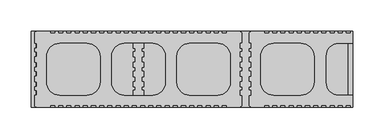
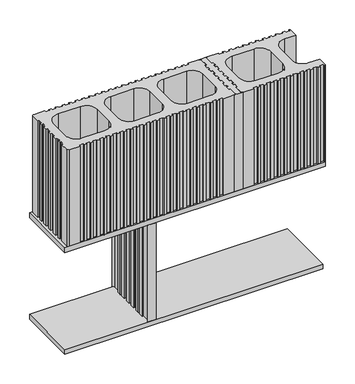
"""IFC4 building model written with IfcOpenShell, lengths in millimetres: plate geometry."""

from ifc_helpers import new_model, si_unit, point, frame, frame_2d, origin, place, context, project, spatial, polyline, circle_curve, trimmed, segment, composite_curve, outline, extrude, source, transform, mapped, element, save
from ifc_brep_helpers import plane_surface, revolved_surface, advanced_brep


def plate_e1294c57(model_context):
    return source(origin(), model_context, "Body", "SolidModel", [
        extrude(outline(polyline([(249.9995197, -59.9998788), (-254.9995197, -59.9998788), (-254.9995197, 59.9998815), (249.9995197, 59.9998815), (249.9995197, -59.9998788)])), frame((0.0, 0.0, -10.0), z_axis=(0.0, 0.0, 1.0), x_axis=(1.0, 0.0, 0.0)), (0.0, 0.0, 1.0), 10.0),
        advanced_brep(
        [(-89.9998399, -40.9999178, 200.0), (-89.9998399, -56.9998835, 200.0), (-92.9997277, -59.9998788, 200.0), (-76.9999521, -59.9998788, 200.0), (-79.9998399, -56.9998835, 200.0), (-79.9998399, -40.9999178, 200.0), (-76.999825, -40.9999178, 200.0), (-76.999825, -32.9999326, 200.0), (-79.9998399, -32.9999326, 200.0), (-79.9998399, -28.0000895, 200.0), (-76.999825, -28.0000895, 200.0), (-76.999825, -19.9999605, 200.0), (-79.9999555, -19.9999605, 200.0), (-79.9999555, -11.5003509, 200.0), (-76.9999457, -11.5003509, 200.0), (-76.9999457, -3.5003274, 200.0), (-79.9999555, -3.5003274, 200.0), (-79.9999555, 3.4996982, 200.0), (-76.9999457, 3.4996982, 200.0), (-76.9999457, 11.4997254, 200.0), (-79.9999555, 11.4997254, 200.0), (-79.9999555, 19.9999578, 200.0), (-76.999825, 19.9999578, 200.0), (-76.999825, 27.999943, 200.0), (-79.9998399, 27.999943, 200.0), (-79.9998399, 32.9999355, 200.0), (-76.999825, 32.9999355, 200.0), (-76.999825, 40.9999207, 200.0), (-79.9998399, 40.9999207, 200.0), (-79.9998399, 56.9998835, 200.0), (-76.999825, 59.9998761, 200.0), (-92.9998548, 59.9998761, 200.0), (-89.9998399, 56.9998835, 200.0), (-89.9998399, 40.9999207, 200.0), (-92.9998548, 40.9999207, 200.0), (-92.9998548, 32.9999355, 200.0), (-89.9998399, 32.9999355, 200.0), (-89.9998399, 27.999943, 200.0), (-92.9998548, 27.999943, 200.0), (-92.9998548, 19.9999578, 200.0), (-89.9997187, 19.9999578, 200.0), (-89.9997187, 11.4997254, 200.0), (-92.9997284, 11.4997254, 200.0), (-92.9997284, 3.4996982, 200.0), (-89.9997187, 3.4996982, 200.0), (-89.9997187, -3.5003274, 200.0), (-92.9997284, -3.5003274, 200.0), (-92.9997284, -11.5003508, 200.0), (-89.9997187, -11.5003508, 200.0), (-89.9997187, -19.9999605, 200.0), (-92.9998548, -19.9999605, 200.0), (-92.9998548, -27.9999419, 200.0), (-89.9998399, -27.9999419, 200.0), (-89.9998399, -32.9999326, 200.0), (-92.9998548, -32.9999326, 200.0), (-92.9998548, -40.9999178, 200.0), (-89.9998399, -40.9999178, 0.0), (-92.9998548, -40.9999178, 0.0), (-92.9998548, -32.9999326, 0.0), (-89.9998399, -32.9999326, 0.0), (-89.9998399, -27.9999419, 0.0), (-92.9998548, -27.9999419, 0.0), (-92.9998548, -19.9999605, 0.0), (-89.9997187, -19.9999605, 0.0), (-89.9997187, -11.5003508, 0.0), (-92.9997284, -11.5003508, 0.0), (-92.9997284, -3.5003274, 0.0), (-89.9997187, -3.5003274, 0.0), (-89.9997187, 3.4996982, 0.0), (-92.9997284, 3.4996982, 0.0), (-92.9997284, 11.4997254, 0.0), (-89.9997187, 11.4997254, 0.0), (-89.9997187, 19.9999578, 0.0), (-92.9998548, 19.9999578, 0.0), (-92.9998548, 27.999943, 0.0), (-89.9998399, 27.999943, 0.0), (-89.9998399, 32.9999355, 0.0), (-92.9998548, 32.9999355, 0.0), (-92.9998548, 40.9999207, 0.0), (-89.9998399, 40.9999207, 0.0), (-89.9998399, 56.9998835, 0.0), (-92.9998548, 59.9998761, 0.0), (-76.999825, 59.9998761, 0.0), (-79.9998399, 56.9998835, 0.0), (-79.9998399, 40.9999207, 0.0), (-76.999825, 40.9999207, 0.0), (-76.999825, 32.9999355, 0.0), (-79.9998399, 32.9999355, 0.0), (-79.9998399, 27.999943, 0.0), (-76.999825, 27.999943, 0.0), (-76.999825, 19.9999578, 0.0), (-79.9999555, 19.9999578, 0.0), (-79.9999555, 11.4997254, 0.0), (-76.9999457, 11.4997254, 0.0), (-76.9999457, 3.4996982, 0.0), (-79.9999555, 3.4996982, 0.0), (-79.9999555, -3.5003274, 0.0), (-76.9999457, -3.5003274, 0.0), (-76.9999457, -11.5003509, 0.0), (-79.9999555, -11.5003509, 0.0), (-79.9999555, -19.9999605, 0.0), (-76.999825, -19.9999605, 0.0), (-76.999825, -28.0000895, 0.0), (-79.9998399, -28.0000895, 0.0), (-79.9998399, -32.9999326, 0.0), (-76.999825, -32.9999326, 0.0), (-76.999825, -40.9999178, 0.0), (-79.9998399, -40.9999178, 0.0), (-79.9998399, -56.9998835, 0.0), (-76.9999521, -59.9998788, 0.0), (-92.9997277, -59.9998788, 0.0), (-89.9998399, -56.9998835, 0.0)],
        [
            (0, 1),
            (1, 2, circle_curve(frame((-92.9378077, -57.0619088, 200.0), z_axis=(0.0, 0.0, -1.0), x_axis=(1.0, 0.0, 0.0)), 2.9386225)),
            (2, 3),
            (3, 4, circle_curve(frame((-77.0618721, -57.0619088, 200.0), z_axis=(0.0, 0.0, -1.0), x_axis=(1.0, 0.0, 0.0)), 2.9386225)),
            (4, 5),
            (5, 6),
            (6, 7),
            (7, 8),
            (8, 9),
            (9, 10),
            (10, 11),
            (11, 12),
            (12, 13),
            (13, 14),
            (14, 15),
            (15, 16),
            (16, 17),
            (17, 18),
            (18, 19),
            (19, 20),
            (20, 21),
            (21, 22),
            (22, 23),
            (23, 24),
            (24, 25),
            (25, 26),
            (26, 27),
            (27, 28),
            (28, 29),
            (29, 30, circle_curve(frame((-77.0618721, 57.0619088, 200.0), z_axis=(0.0, 0.0, -1.0), x_axis=(1.0, 0.0, 0.0)), 2.9386225)),
            (30, 31),
            (31, 32, circle_curve(frame((-92.9378077, 57.0619088, 200.0), z_axis=(0.0, 0.0, -1.0), x_axis=(1.0, 0.0, 0.0)), 2.9386225)),
            (32, 33),
            (33, 34),
            (34, 35),
            (35, 36),
            (36, 37),
            (37, 38),
            (38, 39),
            (39, 40),
            (40, 41),
            (41, 42),
            (42, 43),
            (43, 44),
            (44, 45),
            (45, 46),
            (46, 47),
            (47, 48),
            (48, 49),
            (49, 50),
            (50, 51),
            (51, 52),
            (52, 53),
            (53, 54),
            (54, 55),
            (55, 0),
            (56, 57),
            (57, 58),
            (58, 59),
            (59, 60),
            (60, 61),
            (61, 62),
            (62, 63),
            (63, 64),
            (64, 65),
            (65, 66),
            (66, 67),
            (67, 68),
            (68, 69),
            (69, 70),
            (70, 71),
            (71, 72),
            (72, 73),
            (73, 74),
            (74, 75),
            (75, 76),
            (76, 77),
            (77, 78),
            (78, 79),
            (79, 80),
            (80, 81, circle_curve(frame((-92.9378077, 57.0619088, 0.0), z_axis=(0.0, 0.0, 1.0), x_axis=(1.0, 0.0, 0.0)), 2.9386225)),
            (81, 82),
            (82, 83, circle_curve(frame((-77.0618721, 57.0619088, 0.0), z_axis=(0.0, 0.0, 1.0), x_axis=(1.0, 0.0, 0.0)), 2.9386225)),
            (83, 84),
            (84, 85),
            (85, 86),
            (86, 87),
            (87, 88),
            (88, 89),
            (89, 90),
            (90, 91),
            (91, 92),
            (92, 93),
            (93, 94),
            (94, 95),
            (95, 96),
            (96, 97),
            (97, 98),
            (98, 99),
            (99, 100),
            (100, 101),
            (101, 102),
            (102, 103),
            (103, 104),
            (104, 105),
            (105, 106),
            (106, 107),
            (107, 108),
            (108, 109, circle_curve(frame((-77.0618721, -57.0619088, 0.0), z_axis=(0.0, 0.0, 1.0), x_axis=(1.0, 0.0, 0.0)), 2.9386225)),
            (109, 110),
            (110, 111, circle_curve(frame((-92.9378077, -57.0619088, 0.0), z_axis=(0.0, 0.0, 1.0), x_axis=(1.0, 0.0, 0.0)), 2.9386225)),
            (111, 56),
            (0, 56),
            (111, 1),
            (110, 2),
            (109, 3),
            (108, 4),
            (107, 5),
            (28, 84),
            (83, 29),
            (82, 30),
            (81, 31),
            (80, 32),
            (79, 33),
            (106, 6),
            (105, 7),
            (104, 8),
            (103, 9),
            (102, 10),
            (101, 11),
            (100, 12),
            (21, 91),
            (90, 22),
            (89, 23),
            (88, 24),
            (87, 25),
            (86, 26),
            (85, 27),
            (78, 34),
            (77, 35),
            (76, 36),
            (75, 37),
            (74, 38),
            (73, 39),
            (72, 40),
            (49, 63),
            (62, 50),
            (61, 51),
            (60, 52),
            (59, 53),
            (58, 54),
            (57, 55),
            (99, 13),
            (98, 14),
            (97, 15),
            (96, 16),
            (95, 17),
            (94, 18),
            (93, 19),
            (92, 20),
            (71, 41),
            (70, 42),
            (69, 43),
            (68, 44),
            (67, 45),
            (66, 46),
            (65, 47),
            (64, 48),
        ],
        [
            plane_surface(frame((-89.9998399, -56.9998835, 200.0), z_axis=(0.0, 0.0, 1.0), x_axis=(0.0, -1.0, 0.0))),
            plane_surface(frame((-89.9998399, -56.9998835, 0.0), z_axis=(0.0, 0.0, -1.0), x_axis=(0.0, 1.0, 0.0))),
            plane_surface(frame((-89.9998399, -40.9999178, 200.0), z_axis=(-1.0, 0.0, 0.0), x_axis=(0.0, 0.0, -1.0))),
            revolved_surface(polyline([(-89.9991852, -57.0619088, 0.0), (-89.9991852, -57.0619088, 200.0)]), (-92.9378077, -57.0619088, 0.0), (0.0, 0.0, -1.0)),
            plane_surface(frame((-92.9997277, -59.9998788, 200.0), z_axis=(0.0, -1.0, 0.0), x_axis=(0.0, 0.0, -1.0))),
            revolved_surface(polyline([(-74.12324960000001, -57.0619088, 0.0), (-74.12324960000001, -57.0619088, 200.0)]), (-77.0618721, -57.0619088, 0.0), (0.0, 0.0, -1.0)),
            plane_surface(frame((-79.9998399, -56.9998835, 200.0), z_axis=(1.0, 0.0, 0.0), x_axis=(0.0, 0.0, -1.0))),
            plane_surface(frame((-79.9998399, 40.9999207, 200.0), z_axis=(1.0, 0.0, 0.0), x_axis=(0.0, 0.0, -1.0))),
            revolved_surface(polyline([(-74.12324960000001, 57.0619088, 0.0), (-74.12324960000001, 57.0619088, 200.0)]), (-77.0618721, 57.0619088, 0.0), (0.0, 0.0, -1.0)),
            plane_surface(frame((-76.999825, 59.9998761, 200.0), z_axis=(0.0, 1.0, 0.0), x_axis=(0.0, 0.0, -1.0))),
            revolved_surface(polyline([(-89.9991852, 57.0619088, 0.0), (-89.9991852, 57.0619088, 200.0)]), (-92.9378077, 57.0619088, 0.0), (0.0, 0.0, -1.0)),
            plane_surface(frame((-89.9998399, 56.9998835, 200.0), z_axis=(-1.0, 0.0, 0.0), x_axis=(0.0, 0.0, -1.0))),
            plane_surface(frame((-79.9998399, -40.9999178, 200.0), z_axis=(0.0, -1.0, 0.0), x_axis=(0.0, 0.0, -1.0))),
            plane_surface(frame((-76.999825, -40.9999178, 200.0), z_axis=(1.0, 0.0, 0.0), x_axis=(0.0, 0.0, -1.0))),
            plane_surface(frame((-76.999825, -32.9999326, 200.0), z_axis=(0.0, 1.0, 0.0), x_axis=(0.0, 0.0, -1.0))),
            plane_surface(frame((-79.9998399, -32.9999326, 200.0), z_axis=(1.0, 0.0, 0.0), x_axis=(0.0, 0.0, -1.0))),
            plane_surface(frame((-79.9998399, -28.0000895, 200.0), z_axis=(0.0, -1.0, 0.0), x_axis=(0.0, 0.0, -1.0))),
            plane_surface(frame((-76.999825, -28.0000895, 200.0), z_axis=(1.0, 0.0, 0.0), x_axis=(0.0, 0.0, -1.0))),
            plane_surface(frame((-76.999825, -19.9999605, 200.0), z_axis=(0.0, 1.0, 0.0), x_axis=(0.0, 0.0, -1.0))),
            plane_surface(frame((-79.9999555, 19.9999578, 200.0), z_axis=(0.0, -1.0, 0.0), x_axis=(0.0, 0.0, -1.0))),
            plane_surface(frame((-76.999825, 19.9999578, 200.0), z_axis=(1.0, 0.0, 0.0), x_axis=(0.0, 0.0, -1.0))),
            plane_surface(frame((-76.999825, 27.999943, 200.0), z_axis=(0.0, 1.0, 0.0), x_axis=(0.0, 0.0, -1.0))),
            plane_surface(frame((-79.9998399, 27.999943, 200.0), z_axis=(1.0, 0.0, 0.0), x_axis=(0.0, 0.0, -1.0))),
            plane_surface(frame((-79.9998399, 32.9999355, 200.0), z_axis=(0.0, -1.0, 0.0), x_axis=(0.0, 0.0, -1.0))),
            plane_surface(frame((-76.999825, 32.9999355, 200.0), z_axis=(1.0, 0.0, 0.0), x_axis=(0.0, 0.0, -1.0))),
            plane_surface(frame((-76.999825, 40.9999207, 200.0), z_axis=(0.0, 1.0, 0.0), x_axis=(0.0, 0.0, -1.0))),
            plane_surface(frame((-89.9998399, 40.9999207, 200.0), z_axis=(0.0, 1.0, 0.0), x_axis=(0.0, 0.0, -1.0))),
            plane_surface(frame((-92.9998548, 40.9999207, 200.0), z_axis=(-1.0, 0.0, 0.0), x_axis=(0.0, 0.0, -1.0))),
            plane_surface(frame((-92.9998548, 32.9999355, 200.0), z_axis=(0.0, -1.0, 0.0), x_axis=(0.0, 0.0, -1.0))),
            plane_surface(frame((-89.9998399, 32.9999355, 200.0), z_axis=(-1.0, 0.0, 0.0), x_axis=(0.0, 0.0, -1.0))),
            plane_surface(frame((-89.9998399, 27.999943, 200.0), z_axis=(0.0, 1.0, 0.0), x_axis=(0.0, 0.0, -1.0))),
            plane_surface(frame((-92.9998548, 27.999943, 200.0), z_axis=(-1.0, 0.0, 0.0), x_axis=(0.0, 0.0, -1.0))),
            plane_surface(frame((-92.9998548, 19.9999578, 200.0), z_axis=(0.0, -1.0, 0.0), x_axis=(0.0, 0.0, -1.0))),
            plane_surface(frame((-89.9997187, -19.9999605, 200.0), z_axis=(0.0, 1.0, 0.0), x_axis=(0.0, 0.0, -1.0))),
            plane_surface(frame((-92.9998548, -19.9999605, 200.0), z_axis=(-1.0, 0.0, 0.0), x_axis=(0.0, 0.0, -1.0))),
            plane_surface(frame((-92.9998548, -27.9999419, 200.0), z_axis=(0.0, -1.0, 0.0), x_axis=(0.0, 0.0, -1.0))),
            plane_surface(frame((-89.9998399, -27.9999419, 200.0), z_axis=(-1.0, 0.0, 0.0), x_axis=(0.0, 0.0, -1.0))),
            plane_surface(frame((-89.9998399, -32.9999326, 200.0), z_axis=(0.0, 1.0, 0.0), x_axis=(0.0, 0.0, -1.0))),
            plane_surface(frame((-92.9998548, -32.9999326, 200.0), z_axis=(-1.0, 0.0, 0.0), x_axis=(0.0, 0.0, -1.0))),
            plane_surface(frame((-92.9998548, -40.9999178, 200.0), z_axis=(0.0, -1.0, 0.0), x_axis=(0.0, 0.0, -1.0))),
            plane_surface(frame((-79.9999555, -19.9999605, 200.0), z_axis=(1.0, 0.0, 0.0), x_axis=(0.0, 0.0, -1.0))),
            plane_surface(frame((-79.9999555, -11.5003509, 200.0), z_axis=(0.0, -1.0, 0.0), x_axis=(0.0, 0.0, -1.0))),
            plane_surface(frame((-76.9999457, -11.5003509, 200.0), z_axis=(1.0, 0.0, 0.0), x_axis=(0.0, 0.0, -1.0))),
            plane_surface(frame((-76.9999457, -3.5003274, 200.0), z_axis=(0.0, 1.0, 0.0), x_axis=(0.0, 0.0, -1.0))),
            plane_surface(frame((-79.9999555, -3.5003274, 200.0), z_axis=(1.0, 0.0, 0.0), x_axis=(0.0, 0.0, -1.0))),
            plane_surface(frame((-79.9999555, 3.4996982, 200.0), z_axis=(0.0, -1.0, 0.0), x_axis=(0.0, 0.0, -1.0))),
            plane_surface(frame((-76.9999457, 3.4996982, 200.0), z_axis=(1.0, 0.0, 0.0), x_axis=(0.0, 0.0, -1.0))),
            plane_surface(frame((-76.9999457, 11.4997254, 200.0), z_axis=(0.0, 1.0, 0.0), x_axis=(0.0, 0.0, -1.0))),
            plane_surface(frame((-79.9999555, 11.4997254, 200.0), z_axis=(1.0, 0.0, 0.0), x_axis=(0.0, 0.0, -1.0))),
            plane_surface(frame((-89.9997187, 19.9999578, 200.0), z_axis=(-1.0, 0.0, 0.0), x_axis=(0.0, 0.0, -1.0))),
            plane_surface(frame((-89.9997187, 11.4997254, 200.0), z_axis=(0.0, 1.0, 0.0), x_axis=(0.0, 0.0, -1.0))),
            plane_surface(frame((-92.9997284, 11.4997254, 200.0), z_axis=(-1.0, 0.0, 0.0), x_axis=(0.0, 0.0, -1.0))),
            plane_surface(frame((-92.9997284, 3.4996982, 200.0), z_axis=(0.0, -1.0, 0.0), x_axis=(0.0, 0.0, -1.0))),
            plane_surface(frame((-89.9997187, 3.4996982, 200.0), z_axis=(-1.0, 0.0, 0.0), x_axis=(0.0, 0.0, -1.0))),
            plane_surface(frame((-89.9997187, -3.5003274, 200.0), z_axis=(0.0, 1.0, 0.0), x_axis=(0.0, 0.0, -1.0))),
            plane_surface(frame((-92.9997284, -3.5003274, 200.0), z_axis=(-1.0, 0.0, 0.0), x_axis=(0.0, 0.0, -1.0))),
            plane_surface(frame((-92.9997284, -11.5003508, 200.0), z_axis=(0.0, -1.0, 0.0), x_axis=(0.0, 0.0, -1.0))),
            plane_surface(frame((-89.9997187, -11.5003508, 200.0), z_axis=(-1.0, 0.0, 0.0), x_axis=(0.0, 0.0, -1.0))),
        ],
        [
            (0, [[1, 2, 3, 4, 5, 6, 7, 8, 9, 10, 11, 12, 13, 14, 15, 16, 17, 18, 19, 20, 21, 22, 23, 24, 25, 26, 27, 28, 29, 30, 31, 32, 33, 34, 35, 36, 37, 38, 39, 40, 41, 42, 43, 44, 45, 46, 47, 48, 49, 50, 51, 52, 53, 54, 55, 56]]),
            (1, [[57, 58, 59, 60, 61, 62, 63, 64, 65, 66, 67, 68, 69, 70, 71, 72, 73, 74, 75, 76, 77, 78, 79, 80, 81, 82, 83, 84, 85, 86, 87, 88, 89, 90, 91, 92, 93, 94, 95, 96, 97, 98, 99, 100, 101, 102, 103, 104, 105, 106, 107, 108, 109, 110, 111, 112]]),
            (2, [[-1, 113, -112, 114]]),
            (3, [[-2, -114, -111, 115]]),
            (4, [[-3, -115, -110, 116]]),
            (5, [[-4, -116, -109, 117]]),
            (6, [[-5, -117, -108, 118]]),
            (7, [[-29, 119, -84, 120]]),
            (8, [[-30, -120, -83, 121]]),
            (9, [[-31, -121, -82, 122]]),
            (10, [[-32, -122, -81, 123]]),
            (11, [[-33, -123, -80, 124]]),
            (12, [[-6, -118, -107, 125]]),
            (13, [[-7, -125, -106, 126]]),
            (14, [[-8, -126, -105, 127]]),
            (15, [[-9, -127, -104, 128]]),
            (16, [[-10, -128, -103, 129]]),
            (17, [[-11, -129, -102, 130]]),
            (18, [[-12, -130, -101, 131]]),
            (19, [[-22, 132, -91, 133]]),
            (20, [[-23, -133, -90, 134]]),
            (21, [[-24, -134, -89, 135]]),
            (22, [[-25, -135, -88, 136]]),
            (23, [[-26, -136, -87, 137]]),
            (24, [[-27, -137, -86, 138]]),
            (25, [[-28, -138, -85, -119]]),
            (26, [[-34, -124, -79, 139]]),
            (27, [[-35, -139, -78, 140]]),
            (28, [[-36, -140, -77, 141]]),
            (29, [[-37, -141, -76, 142]]),
            (30, [[-38, -142, -75, 143]]),
            (31, [[-39, -143, -74, 144]]),
            (32, [[-40, -144, -73, 145]]),
            (33, [[-50, 146, -63, 147]]),
            (34, [[-51, -147, -62, 148]]),
            (35, [[-52, -148, -61, 149]]),
            (36, [[-53, -149, -60, 150]]),
            (37, [[-54, -150, -59, 151]]),
            (38, [[-55, -151, -58, 152]]),
            (39, [[-56, -152, -57, -113]]),
            (40, [[-13, -131, -100, 153]]),
            (41, [[-14, -153, -99, 154]]),
            (42, [[-15, -154, -98, 155]]),
            (43, [[-16, -155, -97, 156]]),
            (44, [[-17, -156, -96, 157]]),
            (45, [[-18, -157, -95, 158]]),
            (46, [[-19, -158, -94, 159]]),
            (47, [[-20, -159, -93, 160]]),
            (48, [[-21, -160, -92, -132]]),
            (49, [[-41, -145, -72, 161]]),
            (50, [[-42, -161, -71, 162]]),
            (51, [[-43, -162, -70, 163]]),
            (52, [[-44, -163, -69, 164]]),
            (53, [[-45, -164, -68, 165]]),
            (54, [[-46, -165, -67, 166]]),
            (55, [[-47, -166, -66, 167]]),
            (56, [[-48, -167, -65, 168]]),
            (57, [[-49, -168, -64, -146]]),
        ],
    ),
        extrude(outline(polyline([(-254.9995197, 59.9998801), (254.9995197, 59.9998801), (254.9995197, -59.9998788), (-254.9995197, -59.9998788), (-254.9995197, 59.9998801)]), holes=[polyline([(247.1934492, 44.9999121), (-247.1934394, 44.9999121), (-247.1934394, -44.9999108), (247.1934492, -44.9999108), (247.1934492, 44.9999121)])]), frame((0.0, 0.0, 200.0), z_axis=(0.0, 0.0, 1.0), x_axis=(1.0, 0.0, 0.0)), (0.0, 0.0, 1.0), 10.0),
        advanced_brep(
        [(89.9998399, 40.9999193, 410.0), (89.9998399, 56.9998822, 410.0), (92.9995342, 59.9998815, 410.0), (77.0001456, 59.9998815, 410.0), (79.9998399, 56.9998822, 410.0), (79.9998399, 40.9999193, 410.0), (76.999825, 40.9999193, 410.0), (76.999825, 32.9999342, 410.0), (79.9998399, 32.9999342, 410.0), (79.9998399, 27.9999416, 410.0), (76.999825, 27.9999416, 410.0), (76.999825, 19.9999565, 410.0), (80.0015527, 19.9999565, 410.0), (80.0015527, 11.5002545, 410.0), (77.0015429, 11.5002545, 410.0), (77.0015429, 3.5002273, 410.0), (80.0015527, 3.5002273, 410.0), (80.0015527, -3.4997983, 410.0), (77.0015429, -3.4997983, 410.0), (77.0015429, -11.4998217, 410.0), (80.0015527, -11.4998217, 410.0), (80.0015527, -19.9999618, 410.0), (76.999825, -19.9999618, 410.0), (76.999825, -27.9999433, 410.0), (79.9998399, -27.9999433, 410.0), (79.9998399, -32.999934, 410.0), (76.999825, -32.999934, 410.0), (76.999825, -40.9999191, 410.0), (79.9998399, -40.9999191, 410.0), (79.9998399, -56.9998849, 410.0), (76.9998878, -59.9998788, 410.0), (92.999792, -59.9998788, 410.0), (89.9998399, -56.9998849, 410.0), (89.9998399, -40.9999191, 410.0), (92.9998548, -40.9999191, 410.0), (92.9998548, -32.999934, 410.0), (89.9998399, -32.999934, 410.0), (89.9998399, -28.0000909, 410.0), (92.9998548, -28.0000909, 410.0), (92.9998548, -19.9999618, 410.0), (89.9997243, -19.9999618, 410.0), (89.9997243, -11.5003523, 410.0), (92.999734, -11.5003523, 410.0), (92.999734, -3.5003288, 410.0), (89.9997243, -3.5003288, 410.0), (89.9997243, 3.4996968, 410.0), (92.999734, 3.4996968, 410.0), (92.999734, 11.499724, 410.0), (89.9997243, 11.499724, 410.0), (89.9997243, 19.9999565, 410.0), (92.9998548, 19.9999565, 410.0), (92.9998548, 27.9999416, 410.0), (89.9998399, 27.9999416, 410.0), (89.9998399, 32.9999342, 410.0), (92.9998548, 32.9999342, 410.0), (92.9998548, 40.9999193, 410.0), (89.9998399, 40.9999193, 210.0), (92.9998548, 40.9999193, 210.0), (92.9998548, 32.9999342, 210.0), (89.9998399, 32.9999342, 210.0), (89.9998399, 27.9999416, 210.0), (92.9998548, 27.9999416, 210.0), (92.9998548, 19.9999565, 210.0), (89.9997243, 19.9999565, 210.0), (89.9997243, 11.499724, 210.0), (92.999734, 11.499724, 210.0), (92.999734, 3.4996968, 210.0), (89.9997243, 3.4996968, 210.0), (89.9997243, -3.5003288, 210.0), (92.999734, -3.5003288, 210.0), (92.999734, -11.5003523, 210.0), (89.9997243, -11.5003523, 210.0), (89.9997243, -19.9999618, 210.0), (92.9998548, -19.9999618, 210.0), (92.9998548, -28.0000909, 210.0), (89.9998399, -28.0000909, 210.0), (89.9998399, -32.999934, 210.0), (92.9998548, -32.999934, 210.0), (92.9998548, -40.9999191, 210.0), (89.9998399, -40.9999191, 210.0), (89.9998399, -56.9998849, 210.0), (92.999792, -59.9998788, 210.0), (76.9998878, -59.9998788, 210.0), (79.9998399, -56.9998849, 210.0), (79.9998399, -40.9999191, 210.0), (76.999825, -40.9999191, 210.0), (76.999825, -32.999934, 210.0), (79.9998399, -32.999934, 210.0), (79.9998399, -27.9999433, 210.0), (76.999825, -27.9999433, 210.0), (76.999825, -19.9999618, 210.0), (80.0015527, -19.9999618, 210.0), (80.0015527, -11.4998217, 210.0), (77.0015429, -11.4998217, 210.0), (77.0015429, -3.4997983, 210.0), (80.0015527, -3.4997983, 210.0), (80.0015527, 3.5002273, 210.0), (77.0015429, 3.5002273, 210.0), (77.0015429, 11.5002545, 210.0), (80.0015527, 11.5002545, 210.0), (80.0015527, 19.9999565, 210.0), (76.999825, 19.9999565, 210.0), (76.999825, 27.9999416, 210.0), (79.9998399, 27.9999416, 210.0), (79.9998399, 32.9999342, 210.0), (76.999825, 32.9999342, 210.0), (76.999825, 40.9999193, 210.0), (79.9998399, 40.9999193, 210.0), (79.9998399, 56.9998822, 210.0), (77.0001456, 59.9998815, 210.0), (92.9995342, 59.9998815, 210.0), (89.9998399, 56.9998822, 210.0)],
        [
            (0, 1),
            (1, 2, circle_curve(frame((92.9378077, 57.0619074, 410.0), z_axis=(0.0, 0.0, -1.0), x_axis=(0.0, 1.0, 0.0)), 2.9386225)),
            (2, 3),
            (3, 4, circle_curve(frame((77.0618721, 57.0619074, 410.0), z_axis=(0.0, 0.0, -1.0), x_axis=(0.0, 1.0, 0.0)), 2.9386225)),
            (4, 5),
            (5, 6),
            (6, 7),
            (7, 8),
            (8, 9),
            (9, 10),
            (10, 11),
            (11, 12),
            (12, 13),
            (13, 14),
            (14, 15),
            (15, 16),
            (16, 17),
            (17, 18),
            (18, 19),
            (19, 20),
            (20, 21),
            (21, 22),
            (22, 23),
            (23, 24),
            (24, 25),
            (25, 26),
            (26, 27),
            (27, 28),
            (28, 29),
            (29, 30, circle_curve(frame((77.0618721, -57.0619101, 410.0), z_axis=(0.0, 0.0, -1.0), x_axis=(0.0, 1.0, 0.0)), 2.9386225)),
            (30, 31),
            (31, 32, circle_curve(frame((92.9378077, -57.0619101, 410.0), z_axis=(0.0, 0.0, -1.0), x_axis=(0.0, 1.0, 0.0)), 2.9386225)),
            (32, 33),
            (33, 34),
            (34, 35),
            (35, 36),
            (36, 37),
            (37, 38),
            (38, 39),
            (39, 40),
            (40, 41),
            (41, 42),
            (42, 43),
            (43, 44),
            (44, 45),
            (45, 46),
            (46, 47),
            (47, 48),
            (48, 49),
            (49, 50),
            (50, 51),
            (51, 52),
            (52, 53),
            (53, 54),
            (54, 55),
            (55, 0),
            (56, 57),
            (57, 58),
            (58, 59),
            (59, 60),
            (60, 61),
            (61, 62),
            (62, 63),
            (63, 64),
            (64, 65),
            (65, 66),
            (66, 67),
            (67, 68),
            (68, 69),
            (69, 70),
            (70, 71),
            (71, 72),
            (72, 73),
            (73, 74),
            (74, 75),
            (75, 76),
            (76, 77),
            (77, 78),
            (78, 79),
            (79, 80),
            (80, 81, circle_curve(frame((92.9378077, -57.0619101, 210.0), z_axis=(0.0, 0.0, 1.0), x_axis=(0.0, 1.0, 0.0)), 2.9386225)),
            (81, 82),
            (82, 83, circle_curve(frame((77.0618721, -57.0619101, 210.0), z_axis=(0.0, 0.0, 1.0), x_axis=(0.0, 1.0, 0.0)), 2.9386225)),
            (83, 84),
            (84, 85),
            (85, 86),
            (86, 87),
            (87, 88),
            (88, 89),
            (89, 90),
            (90, 91),
            (91, 92),
            (92, 93),
            (93, 94),
            (94, 95),
            (95, 96),
            (96, 97),
            (97, 98),
            (98, 99),
            (99, 100),
            (100, 101),
            (101, 102),
            (102, 103),
            (103, 104),
            (104, 105),
            (105, 106),
            (106, 107),
            (107, 108),
            (108, 109, circle_curve(frame((77.0618721, 57.0619074, 210.0), z_axis=(0.0, 0.0, 1.0), x_axis=(0.0, 1.0, 0.0)), 2.9386225)),
            (109, 110),
            (110, 111, circle_curve(frame((92.9378077, 57.0619074, 210.0), z_axis=(0.0, 0.0, 1.0), x_axis=(0.0, 1.0, 0.0)), 2.9386225)),
            (111, 56),
            (0, 56),
            (111, 1),
            (2, 110),
            (109, 3),
            (4, 108),
            (107, 5),
            (28, 84),
            (83, 29),
            (30, 82),
            (81, 31),
            (32, 80),
            (79, 33),
            (106, 6),
            (105, 7),
            (104, 8),
            (103, 9),
            (102, 10),
            (101, 11),
            (100, 12),
            (21, 91),
            (90, 22),
            (89, 23),
            (88, 24),
            (87, 25),
            (86, 26),
            (85, 27),
            (78, 34),
            (77, 35),
            (76, 36),
            (75, 37),
            (74, 38),
            (73, 39),
            (72, 40),
            (49, 63),
            (62, 50),
            (61, 51),
            (60, 52),
            (59, 53),
            (58, 54),
            (57, 55),
            (99, 13),
            (98, 14),
            (97, 15),
            (96, 16),
            (95, 17),
            (94, 18),
            (93, 19),
            (92, 20),
            (71, 41),
            (70, 42),
            (69, 43),
            (68, 44),
            (67, 45),
            (66, 46),
            (65, 47),
            (64, 48),
        ],
        [
            plane_surface(frame((89.9998399, 47.1241744, 410.0), z_axis=(0.0, 0.0, 1.0), x_axis=(0.0, 1.0, 0.0))),
            plane_surface(frame((89.9998399, 47.1241744, 210.0), z_axis=(0.0, 0.0, -1.0), x_axis=(0.0, -1.0, 0.0))),
            plane_surface(frame((89.9998399, 40.9999193, 410.0), z_axis=(1.0, 0.0, 0.0), x_axis=(0.0, 0.0, -1.0))),
            plane_surface(frame((92.9995342, 59.9998815, 410.0), z_axis=(0.0, 1.0, 0.0), x_axis=(0.0, 0.0, -1.0))),
            plane_surface(frame((79.9998399, 56.9998822, 410.0), z_axis=(-1.0, 0.0, 0.0), x_axis=(0.0, 0.0, -1.0))),
            plane_surface(frame((79.9998399, -40.9999191, 410.0), z_axis=(-1.0, 0.0, 0.0), x_axis=(0.0, 0.0, -1.0))),
            plane_surface(frame((76.9998878, -59.9998788, 410.0), z_axis=(0.0, -1.0, 0.0), x_axis=(0.0, 0.0, -1.0))),
            plane_surface(frame((89.9998399, -56.9998849, 410.0), z_axis=(1.0, 0.0, 0.0), x_axis=(0.0, 0.0, -1.0))),
            revolved_surface(polyline([(92.9378077, 60.000529900000004, 210.0), (92.9378077, 60.000529900000004, 410.0)]), (92.9378077, 57.0619074, 210.0), (0.0, 0.0, -1.0)),
            revolved_surface(polyline([(77.0618721, 60.000529900000004, 210.0), (77.0618721, 60.000529900000004, 410.0)]), (77.0618721, 57.0619074, 210.0), (0.0, 0.0, -1.0)),
            revolved_surface(polyline([(77.0618721, -54.1232876, 210.0), (77.0618721, -54.1232876, 410.0)]), (77.0618721, -57.0619101, 210.0), (0.0, 0.0, -1.0)),
            revolved_surface(polyline([(92.9378077, -54.1232876, 210.0), (92.9378077, -54.1232876, 410.0)]), (92.9378077, -57.0619101, 210.0), (0.0, 0.0, -1.0)),
            plane_surface(frame((79.9998399, 40.9999193, 410.0), z_axis=(0.0, 1.0, 0.0), x_axis=(0.0, 0.0, -1.0))),
            plane_surface(frame((76.999825, 40.9999193, 410.0), z_axis=(-1.0, 0.0, 0.0), x_axis=(0.0, 0.0, -1.0))),
            plane_surface(frame((76.999825, 32.9999342, 410.0), z_axis=(0.0, -1.0, 0.0), x_axis=(0.0, 0.0, -1.0))),
            plane_surface(frame((79.9998399, 32.9999342, 410.0), z_axis=(-1.0, 0.0, 0.0), x_axis=(0.0, 0.0, -1.0))),
            plane_surface(frame((79.9998399, 27.9999416, 410.0), z_axis=(0.0, 1.0, 0.0), x_axis=(0.0, 0.0, -1.0))),
            plane_surface(frame((76.999825, 27.9999416, 410.0), z_axis=(-1.0, 0.0, 0.0), x_axis=(0.0, 0.0, -1.0))),
            plane_surface(frame((76.999825, 19.9999565, 410.0), z_axis=(0.0, -1.0, 0.0), x_axis=(0.0, 0.0, -1.0))),
            plane_surface(frame((80.0015527, -19.9999618, 410.0), z_axis=(0.0, 1.0, 0.0), x_axis=(0.0, 0.0, -1.0))),
            plane_surface(frame((76.999825, -19.9999618, 410.0), z_axis=(-1.0, 0.0, 0.0), x_axis=(0.0, 0.0, -1.0))),
            plane_surface(frame((76.999825, -27.9999433, 410.0), z_axis=(0.0, -1.0, 0.0), x_axis=(0.0, 0.0, -1.0))),
            plane_surface(frame((79.9998399, -27.9999433, 410.0), z_axis=(-1.0, 0.0, 0.0), x_axis=(0.0, 0.0, -1.0))),
            plane_surface(frame((79.9998399, -32.999934, 410.0), z_axis=(0.0, 1.0, 0.0), x_axis=(0.0, 0.0, -1.0))),
            plane_surface(frame((76.999825, -32.999934, 410.0), z_axis=(-1.0, 0.0, 0.0), x_axis=(0.0, 0.0, -1.0))),
            plane_surface(frame((76.999825, -40.9999191, 410.0), z_axis=(0.0, -1.0, 0.0), x_axis=(0.0, 0.0, -1.0))),
            plane_surface(frame((89.9998399, -40.9999191, 410.0), z_axis=(0.0, -1.0, 0.0), x_axis=(0.0, 0.0, -1.0))),
            plane_surface(frame((92.9998548, -40.9999191, 410.0), z_axis=(1.0, 0.0, 0.0), x_axis=(0.0, 0.0, -1.0))),
            plane_surface(frame((92.9998548, -32.999934, 410.0), z_axis=(0.0, 1.0, 0.0), x_axis=(0.0, 0.0, -1.0))),
            plane_surface(frame((89.9998399, -32.999934, 410.0), z_axis=(1.0, 0.0, 0.0), x_axis=(0.0, 0.0, -1.0))),
            plane_surface(frame((89.9998399, -28.0000909, 410.0), z_axis=(0.0, -1.0, 0.0), x_axis=(0.0, 0.0, -1.0))),
            plane_surface(frame((92.9998548, -28.0000909, 410.0), z_axis=(1.0, 0.0, 0.0), x_axis=(0.0, 0.0, -1.0))),
            plane_surface(frame((92.9998548, -19.9999618, 410.0), z_axis=(0.0, 1.0, 0.0), x_axis=(0.0, 0.0, -1.0))),
            plane_surface(frame((89.9997243, 19.9999565, 410.0), z_axis=(0.0, -1.0, 0.0), x_axis=(0.0, 0.0, -1.0))),
            plane_surface(frame((92.9998548, 19.9999565, 410.0), z_axis=(1.0, 0.0, 0.0), x_axis=(0.0, 0.0, -1.0))),
            plane_surface(frame((92.9998548, 27.9999416, 410.0), z_axis=(0.0, 1.0, 0.0), x_axis=(0.0, 0.0, -1.0))),
            plane_surface(frame((89.9998399, 27.9999416, 410.0), z_axis=(1.0, 0.0, 0.0), x_axis=(0.0, 0.0, -1.0))),
            plane_surface(frame((89.9998399, 32.9999342, 410.0), z_axis=(0.0, -1.0, 0.0), x_axis=(0.0, 0.0, -1.0))),
            plane_surface(frame((92.9998548, 32.9999342, 410.0), z_axis=(1.0, 0.0, 0.0), x_axis=(0.0, 0.0, -1.0))),
            plane_surface(frame((92.9998548, 40.9999193, 410.0), z_axis=(0.0, 1.0, 0.0), x_axis=(0.0, 0.0, -1.0))),
            plane_surface(frame((80.0015527, 19.9999565, 410.0), z_axis=(-1.0, 0.0, 0.0), x_axis=(0.0, 0.0, -1.0))),
            plane_surface(frame((80.0015527, 11.5002545, 410.0), z_axis=(0.0, 1.0, 0.0), x_axis=(0.0, 0.0, -1.0))),
            plane_surface(frame((77.0015429, 11.5002545, 410.0), z_axis=(-1.0, 0.0, 0.0), x_axis=(0.0, 0.0, -1.0))),
            plane_surface(frame((77.0015429, 3.5002273, 410.0), z_axis=(0.0, -1.0, 0.0), x_axis=(0.0, 0.0, -1.0))),
            plane_surface(frame((80.0015527, 3.5002273, 410.0), z_axis=(-1.0, 0.0, 0.0), x_axis=(0.0, 0.0, -1.0))),
            plane_surface(frame((80.0015527, -3.4997983, 410.0), z_axis=(0.0, 1.0, 0.0), x_axis=(0.0, 0.0, -1.0))),
            plane_surface(frame((77.0015429, -3.4997983, 410.0), z_axis=(-1.0, 0.0, 0.0), x_axis=(0.0, 0.0, -1.0))),
            plane_surface(frame((77.0015429, -11.4998217, 410.0), z_axis=(0.0, -1.0, 0.0), x_axis=(0.0, 0.0, -1.0))),
            plane_surface(frame((80.0015527, -11.4998217, 410.0), z_axis=(-1.0, 0.0, 0.0), x_axis=(0.0, 0.0, -1.0))),
            plane_surface(frame((89.9997243, -19.9999618, 410.0), z_axis=(1.0, 0.0, 0.0), x_axis=(0.0, 0.0, -1.0))),
            plane_surface(frame((89.9997243, -11.5003523, 410.0), z_axis=(0.0, -1.0, 0.0), x_axis=(0.0, 0.0, -1.0))),
            plane_surface(frame((92.999734, -11.5003523, 410.0), z_axis=(1.0, 0.0, 0.0), x_axis=(0.0, 0.0, -1.0))),
            plane_surface(frame((92.999734, -3.5003288, 410.0), z_axis=(0.0, 1.0, 0.0), x_axis=(0.0, 0.0, -1.0))),
            plane_surface(frame((89.9997243, -3.5003288, 410.0), z_axis=(1.0, 0.0, 0.0), x_axis=(0.0, 0.0, -1.0))),
            plane_surface(frame((89.9997243, 3.4996968, 410.0), z_axis=(0.0, -1.0, 0.0), x_axis=(0.0, 0.0, -1.0))),
            plane_surface(frame((92.999734, 3.4996968, 410.0), z_axis=(1.0, 0.0, 0.0), x_axis=(0.0, 0.0, -1.0))),
            plane_surface(frame((92.999734, 11.499724, 410.0), z_axis=(0.0, 1.0, 0.0), x_axis=(0.0, 0.0, -1.0))),
            plane_surface(frame((89.9997243, 11.499724, 410.0), z_axis=(1.0, 0.0, 0.0), x_axis=(0.0, 0.0, -1.0))),
        ],
        [
            (0, [[1, 2, 3, 4, 5, 6, 7, 8, 9, 10, 11, 12, 13, 14, 15, 16, 17, 18, 19, 20, 21, 22, 23, 24, 25, 26, 27, 28, 29, 30, 31, 32, 33, 34, 35, 36, 37, 38, 39, 40, 41, 42, 43, 44, 45, 46, 47, 48, 49, 50, 51, 52, 53, 54, 55, 56]]),
            (1, [[57, 58, 59, 60, 61, 62, 63, 64, 65, 66, 67, 68, 69, 70, 71, 72, 73, 74, 75, 76, 77, 78, 79, 80, 81, 82, 83, 84, 85, 86, 87, 88, 89, 90, 91, 92, 93, 94, 95, 96, 97, 98, 99, 100, 101, 102, 103, 104, 105, 106, 107, 108, 109, 110, 111, 112]]),
            (2, [[-1, 113, -112, 114]]),
            (3, [[-3, 115, -110, 116]]),
            (4, [[-5, 117, -108, 118]]),
            (5, [[-29, 119, -84, 120]]),
            (6, [[-31, 121, -82, 122]]),
            (7, [[-33, 123, -80, 124]]),
            (8, [[-2, -114, -111, -115]]),
            (9, [[-4, -116, -109, -117]]),
            (10, [[-30, -120, -83, -121]]),
            (11, [[-32, -122, -81, -123]]),
            (12, [[-6, -118, -107, 125]]),
            (13, [[-7, -125, -106, 126]]),
            (14, [[-8, -126, -105, 127]]),
            (15, [[-9, -127, -104, 128]]),
            (16, [[-10, -128, -103, 129]]),
            (17, [[-11, -129, -102, 130]]),
            (18, [[-12, -130, -101, 131]]),
            (19, [[-22, 132, -91, 133]]),
            (20, [[-23, -133, -90, 134]]),
            (21, [[-24, -134, -89, 135]]),
            (22, [[-25, -135, -88, 136]]),
            (23, [[-26, -136, -87, 137]]),
            (24, [[-27, -137, -86, 138]]),
            (25, [[-28, -138, -85, -119]]),
            (26, [[-34, -124, -79, 139]]),
            (27, [[-35, -139, -78, 140]]),
            (28, [[-36, -140, -77, 141]]),
            (29, [[-37, -141, -76, 142]]),
            (30, [[-38, -142, -75, 143]]),
            (31, [[-39, -143, -74, 144]]),
            (32, [[-40, -144, -73, 145]]),
            (33, [[-50, 146, -63, 147]]),
            (34, [[-51, -147, -62, 148]]),
            (35, [[-52, -148, -61, 149]]),
            (36, [[-53, -149, -60, 150]]),
            (37, [[-54, -150, -59, 151]]),
            (38, [[-55, -151, -58, 152]]),
            (39, [[-56, -152, -57, -113]]),
            (40, [[-13, -131, -100, 153]]),
            (41, [[-14, -153, -99, 154]]),
            (42, [[-15, -154, -98, 155]]),
            (43, [[-16, -155, -97, 156]]),
            (44, [[-17, -156, -96, 157]]),
            (45, [[-18, -157, -95, 158]]),
            (46, [[-19, -158, -94, 159]]),
            (47, [[-20, -159, -93, 160]]),
            (48, [[-21, -160, -92, -132]]),
            (49, [[-41, -145, -72, 161]]),
            (50, [[-42, -161, -71, 162]]),
            (51, [[-43, -162, -70, 163]]),
            (52, [[-44, -163, -69, 164]]),
            (53, [[-45, -164, -68, 165]]),
            (54, [[-46, -165, -67, 166]]),
            (55, [[-47, -166, -66, 167]]),
            (56, [[-48, -167, -65, 168]]),
            (57, [[-49, -168, -64, -146]]),
        ],
    ),
        extrude(outline(composite_curve([segment(polyline([(114.4998029, -60.0005104), (92.999734, -60.0005104)]), True, "CONTINUOUS"), segment(trimmed(circle_curve(frame_2d((92.999734, -57.0005008)), 3.0000097), [point((92.999734, -60.0005104))], [point((89.9997243, -57.0005008))], False, "CARTESIAN"), True, "CONTINUOUS"), segment(polyline([(89.9997243, -57.0005008), (89.9997243, -41.0004496), (92.999734, -41.0004496), (92.999734, -33.0004225), (89.9997243, -33.0004225), (89.9997243, -28.0004055), (92.999734, -28.0004055), (92.999734, -20.000382), (89.9997243, -20.000382), (89.9997243, -11.5003523), (92.999734, -11.5003523), (92.999734, -3.5003288), (89.9997243, -3.5003288), (89.9997243, 3.4996968), (92.999734, 3.4996968), (92.999734, 11.499724), (89.9997243, 11.499724), (89.9997243, 19.9997463), (92.999734, 19.9997463), (92.999734, 27.9997735), (89.9997243, 27.9997735), (89.9997243, 32.9997924), (92.999734, 32.9997924), (92.999734, 40.9998195), (89.9997243, 40.9998195), (89.9997243, 56.9998696)]), True, "CONTINUOUS"), segment(trimmed(circle_curve(frame_2d((92.9997294, 56.9998696)), 3.0000051), [point((89.9997243, 56.9998696))], [point((92.9997294, 59.9998747))], False, "CARTESIAN"), True, "CONTINUOUS"), segment(polyline([(92.9997294, 59.9998747), (114.4998029, 59.9998747), (114.4998029, 56.999865), (122.4998282, 56.999865), (122.4998282, 59.9998747), (127.499847, 59.9998747), (127.499847, 56.999865), (135.4998705, 56.999865), (135.4998705, 59.9998747), (140.4998893, 59.9998747), (140.4998893, 56.999865), (148.4999128, 56.999865), (148.4999128, 59.9998747), (153.4999316, 59.9998747), (153.4999316, 56.999865), (161.4999588, 56.999865), (161.4999588, 59.9998747), (166.4999702, 59.9998747), (166.4999702, 56.999865), (174.4999973, 56.999865), (174.4999973, 59.9998747), (179.5000162, 59.9998747), (179.5000162, 56.999865), (187.5000359, 56.999865), (187.5000359, 59.9998747), (192.5000547, 59.9998747), (192.5000547, 56.999865), (200.5000819, 56.999865), (200.5000819, 59.9998747), (205.5001008, 59.9998747), (205.5001008, 56.999865), (213.5001205, 56.999865), (213.5001205, 59.9998747), (218.5001393, 59.9998747), (218.5001393, 56.999865), (226.5001665, 56.999865), (226.5001665, 59.9998747), (231.5001779, 59.9998747), (231.5001779, 56.999865), (239.500205, 56.999865), (239.500205, 59.9998747), (244.5002164, 59.9998747), (244.5002164, 56.999865), (252.5002436, 56.999865), (252.5002436, 59.9998747), (255.0002568, 59.9998747), (255.0002568, 40.9998747), (232.5001492, 40.9998747)]), True, "CONTINUOUS"), segment(trimmed(circle_curve(frame_2d((232.5001492, 20.99981)), 20.0000648), [point((232.5001492, 40.9998747))], [point((212.5000844, 20.99981))], True, "CARTESIAN"), True, "CONTINUOUS"), segment(polyline([(212.5000844, 20.99981), (212.5000844, -21.0004457)]), True, "CONTINUOUS"), segment(trimmed(circle_curve(frame_2d((232.5001492, -21.0004457)), 20.0000648), [point((212.5000844, -21.0004457))], [point((232.5001492, -41.0005104))], True, "CARTESIAN"), True, "CONTINUOUS"), segment(polyline([(232.5001492, -41.0005104), (255.0002605, -41.0005104), (255.0002605, -60.0005104), (252.5002436, -60.0005104), (252.5002436, -57.0005007), (244.5002164, -57.0005007), (244.5002164, -60.0005104), (239.500205, -60.0005104), (239.500205, -57.0005007), (231.5001779, -57.0005007), (231.5001779, -60.0005104), (226.5001665, -60.0005104), (226.5001665, -57.0005007), (218.5001393, -57.0005007), (218.5001393, -60.0005104), (213.5001205, -60.0005104), (213.5001205, -57.0005007), (205.5001008, -57.0005007), (205.5001008, -60.0005104), (200.5000819, -60.0005104), (200.5000819, -57.0005007), (192.5000547, -57.0005007), (192.5000547, -60.0005104), (187.5000359, -60.0005104), (187.5000359, -57.0005007), (179.5000162, -57.0005007), (179.5000162, -60.0005104), (174.4999973, -60.0005104), (174.4999973, -57.0005007), (166.4999702, -57.0005007), (166.4999702, -60.0005104), (161.4999588, -60.0005104), (161.4999588, -57.0005007), (153.4999316, -57.0005007), (153.4999316, -60.0005104), (148.4999128, -60.0005104), (148.4999128, -57.0005007), (140.4998893, -57.0005007), (140.4998893, -60.0005104), (135.4998705, -60.0005104), (135.4998705, -57.0005007), (127.499847, -57.0005007), (127.499847, -60.0005104), (122.4998282, -60.0005104), (122.4998282, -57.0005007), (114.4998029, -57.0005007), (114.4998029, -60.0005104)]), True, "CONTINUOUS")], self_intersect=False), holes=[composite_curve([segment(trimmed(circle_curve(frame_2d((129.9997243, -20.0005104)), 21.0), [point((108.9997243, -20.0005104))], [point((129.9997243, -41.0005104))], True, "CARTESIAN"), True, "CONTINUOUS"), segment(polyline([(129.9997243, -41.0005104), (173.0000764, -41.0005104)]), True, "CONTINUOUS"), segment(trimmed(circle_curve(frame_2d((173.0000764, -20.0005104)), 21.0), [point((173.0000764, -41.0005104))], [point((194.0000764, -20.0005104))], True, "CARTESIAN"), True, "CONTINUOUS"), segment(polyline([(194.0000764, -20.0005104), (194.0000764, 19.9998747)]), True, "CONTINUOUS"), segment(trimmed(circle_curve(frame_2d((173.0000764, 19.9998747)), 21.0), [point((194.0000764, 19.9998747))], [point((173.0000764, 40.9998747))], True, "CARTESIAN"), True, "CONTINUOUS"), segment(polyline([(173.0000764, 40.9998747), (129.9997243, 40.9998747)]), True, "CONTINUOUS"), segment(trimmed(circle_curve(frame_2d((129.9997243, 19.9998747)), 21.0), [point((129.9997243, 40.9998747))], [point((108.9997243, 19.9998747))], True, "CARTESIAN"), True, "CONTINUOUS"), segment(polyline([(108.9997243, 19.9998747), (108.9997243, -20.0005104)]), True, "CONTINUOUS")], self_intersect=False)]), frame((0.0, 0.0, 210.0), z_axis=(0.0, 0.0, 1.0), x_axis=(1.0, 0.0, 0.0)), (0.0, 0.0, 1.0), 200.0),
        extrude(outline(composite_curve([segment(polyline([(-225.4994411, -59.9999799), (-246.99951, -59.9999799)]), True, "CONTINUOUS"), segment(trimmed(circle_curve(frame_2d((-246.99951, -56.9999702)), 3.0000097), [point((-246.99951, -59.9999799))], [point((-249.9995197, -56.9999702))], False, "CARTESIAN"), True, "CONTINUOUS"), segment(polyline([(-249.9995197, -56.9999702), (-249.9995197, -40.9999191), (-246.9995099, -40.9999191), (-246.9995099, -32.999892), (-249.9995197, -32.999892), (-249.9995197, -27.999875), (-246.9995099, -27.999875), (-246.9995099, -19.9998515), (-249.9995197, -19.9998515), (-249.9995197, -11.4998217), (-246.9995099, -11.4998217), (-246.9995099, -3.4997983), (-249.9995197, -3.4997983), (-249.9995197, 3.5002273), (-246.9995099, 3.5002273), (-246.9995099, 11.5002545), (-249.9995197, 11.5002545), (-249.9995197, 20.0002769), (-246.9995099, 20.0002769), (-246.9995099, 28.000304), (-249.9995197, 28.000304), (-249.9995197, 33.0003229), (-246.9995099, 33.0003229), (-246.9995099, 41.00035), (-249.9995197, 41.00035), (-249.9995197, 57.0004001)]), True, "CONTINUOUS"), segment(trimmed(circle_curve(frame_2d((-246.9995146, 57.0004001)), 3.0000051), [point((-249.9995197, 57.0004001))], [point((-246.9995146, 60.0004053))], False, "CARTESIAN"), True, "CONTINUOUS"), segment(polyline([(-246.9995146, 60.0004053), (-225.4994411, 60.0004053), (-225.4994411, 57.0003955), (-217.4994158, 57.0003955), (-217.4994158, 60.0004053), (-212.499397, 60.0004053), (-212.499397, 57.0003955), (-204.4993735, 57.0003955), (-204.4993735, 60.0004053), (-199.4993547, 60.0004053), (-199.4993547, 57.0003955), (-191.4993312, 57.0003955), (-191.4993312, 60.0004053), (-186.4993124, 60.0004053), (-186.4993124, 57.0003955), (-178.4992852, 57.0003955), (-178.4992852, 60.0004053), (-173.4992738, 60.0004053), (-173.4992738, 57.0003955), (-165.4992467, 57.0003955), (-165.4992467, 60.0004053), (-160.4992278, 60.0004053), (-160.4992278, 57.0003955), (-152.4992081, 57.0003955), (-152.4992081, 60.0004053), (-147.4991893, 60.0004053), (-147.4991893, 57.0003955), (-139.4991621, 57.0003955), (-139.4991621, 60.0004053), (-134.4991432, 60.0004053), (-134.4991432, 57.0003955), (-126.4991235, 57.0003955), (-126.4991235, 60.0004053), (-121.4991047, 60.0004053), (-121.4991047, 57.0003955), (-113.4990775, 57.0003955), (-113.4990775, 60.0004053), (-108.4990661, 60.0004053), (-108.4990661, 57.0003955), (-100.4990389, 57.0003955), (-100.4990389, 60.0004053), (-95.4990275, 60.0004053), (-95.4990275, 57.0003955), (-87.4990004, 57.0003955), (-87.4990004, 60.0004053), (-82.4989741, 60.0004053), (-82.4989741, 57.0003955), (-74.4989469, 57.0003955), (-74.4989469, 60.0004053), (-69.4989355, 60.0004053), (-69.4989355, 57.0003955), (-61.4989083, 57.0003955), (-61.4989083, 60.0004053), (-56.498897, 60.0004053), (-56.498897, 57.0003955), (-48.4988698, 57.0003955), (-48.4988698, 60.0004053), (-43.4988584, 60.0004053), (-43.4988584, 57.0003955), (-35.4988312, 57.0003955), (-35.4988312, 60.0004053), (-30.4988049, 60.0004053), (-30.4988049, 57.0003955), (-22.4987778, 57.0003955), (-22.4987778, 60.0004053), (-17.4987664, 60.0004053), (-17.4987664, 57.0003955), (-9.4987392, 57.0003955), (-9.4987392, 60.0004053), (-4.4987278, 60.0004053), (-4.4987278, 57.0003955), (3.5013143, 57.0003955), (3.5013143, 60.0004053), (8.5013257, 60.0004053), (8.5013257, 57.0003955), (16.5013379, 57.0003955), (16.5013379, 60.0004053), (21.5013493, 60.0004053), (21.5013493, 57.0003955), (29.5013914, 57.0003955), (29.5013914, 60.0004053), (34.5014028, 60.0004053), (34.5014028, 57.0003955), (42.5014151, 57.0003955), (42.5014151, 60.0004053), (47.5014563, 60.0004053), (47.5014563, 57.0003955), (55.5014685, 57.0003955), (55.5014685, 60.0004053), (77.0015475, 60.0004053)]), True, "CONTINUOUS"), segment(trimmed(circle_curve(frame_2d((77.0015475, 57.0004001)), 3.0000051), [point((77.0015475, 60.0004053))], [point((80.0015527, 57.0004001))], False, "CARTESIAN"), True, "CONTINUOUS"), segment(polyline([(80.0015527, 57.0004001), (80.0015527, 41.00035), (77.0015429, 41.00035), (77.0015429, 33.0003229), (80.0015527, 33.0003229), (80.0015527, 28.000304), (77.0015429, 28.000304), (77.0015429, 20.0002769), (80.0015527, 20.0002769), (80.0015527, 11.5002545), (77.0015429, 11.5002545), (77.0015429, 3.5002273), (80.0015527, 3.5002273), (80.0015527, -3.4997983), (77.0015429, -3.4997983), (77.0015429, -11.4998217), (80.0015527, -11.4998217), (80.0015527, -19.9998515), (77.0015429, -19.9998515), (77.0015429, -27.999875), (80.0015527, -27.999875), (80.0015527, -32.999892), (77.0015429, -32.999892), (77.0015429, -40.9999191), (80.0015527, -40.9999191), (80.0015526, -56.9999702)]), True, "CONTINUOUS"), segment(trimmed(circle_curve(frame_2d((77.0015429, -56.9999702)), 3.0000097), [point((80.0015526, -56.9999702))], [point((77.0015429, -59.9999799))], False, "CARTESIAN"), True, "CONTINUOUS"), segment(polyline([(77.0015429, -59.9999799), (55.5014685, -59.9999799), (55.5014685, -56.9999702), (47.5014563, -56.9999702), (47.5014563, -59.9999799), (42.5014151, -59.9999799), (42.5014151, -56.9999702), (34.5014028, -56.9999702), (34.5014028, -59.9999799), (29.5013914, -59.9999799), (29.5013914, -56.9999702), (21.5013493, -56.9999702), (21.5013493, -59.9999799), (16.5013379, -59.9999799), (16.5013379, -56.9999702), (8.5013257, -56.9999702), (8.5013257, -59.9999799), (3.5013143, -59.9999799), (3.5013143, -56.9999702), (-4.4987278, -56.9999702), (-4.4987278, -59.9999799), (-9.4987392, -59.9999799), (-9.4987392, -56.9999702), (-17.4987664, -56.9999702), (-17.4987664, -59.9999799), (-22.4987778, -59.9999799), (-22.4987778, -56.9999702), (-30.4988049, -56.9999702), (-30.4988049, -59.9999799), (-35.4988312, -59.9999799), (-35.4988312, -56.9999702), (-43.4988584, -56.9999702), (-43.4988584, -59.9999799), (-48.4988698, -59.9999799), (-48.4988698, -56.9999702), (-56.498897, -56.9999702), (-56.498897, -59.9999799), (-61.4989083, -59.9999799), (-61.4989083, -56.9999702), (-69.4989355, -56.9999702), (-69.4989355, -59.9999799), (-74.4989469, -59.9999799), (-74.4989469, -56.9999702), (-82.4989741, -56.9999702), (-82.4989741, -59.9999799), (-87.4990004, -59.9999799), (-87.4990004, -56.9999702), (-95.4990275, -56.9999702), (-95.4990275, -59.9999799), (-100.4990389, -59.9999799), (-100.4990389, -56.9999702), (-108.4990661, -56.9999702), (-108.4990661, -59.9999799), (-113.4990775, -59.9999799), (-113.4990775, -56.9999702), (-121.4991047, -56.9999702), (-121.4991047, -59.9999799), (-126.4991235, -59.9999799), (-126.4991235, -56.9999702), (-134.4991432, -56.9999702), (-134.4991432, -59.9999799), (-139.4991621, -59.9999799), (-139.4991621, -56.9999702), (-147.4991893, -56.9999702), (-147.4991893, -59.9999799), (-152.4992081, -59.9999799), (-152.4992081, -56.9999702), (-160.4992278, -56.9999702), (-160.4992278, -59.9999799), (-165.4992467, -59.9999799), (-165.4992467, -56.9999702), (-173.4992738, -56.9999702), (-173.4992738, -59.9999799), (-178.4992852, -59.9999799), (-178.4992852, -56.9999702), (-186.4993124, -56.9999702), (-186.4993124, -59.9999799), (-191.4993312, -59.9999799), (-191.4993312, -56.9999702), (-199.4993547, -56.9999702), (-199.4993547, -59.9999799), (-204.4993735, -59.9999799), (-204.4993735, -56.9999702), (-212.499397, -56.9999702), (-212.499397, -59.9999799), (-217.4994158, -59.9999799), (-217.4994158, -56.9999702), (-225.4994411, -56.9999702), (-225.4994411, -59.9999799)]), True, "CONTINUOUS")], self_intersect=False), holes=[composite_curve([segment(trimmed(circle_curve(frame_2d((-209.9995197, -19.9999799)), 21.0), [point((-230.9995197, -19.9999799))], [point((-209.9995197, -40.9999799))], True, "CARTESIAN"), True, "CONTINUOUS"), segment(polyline([(-209.9995197, -40.9999799), (-166.9991676, -40.9999799)]), True, "CONTINUOUS"), segment(trimmed(circle_curve(frame_2d((-166.9991676, -19.9999799)), 21.0), [point((-166.9991676, -40.9999799))], [point((-145.9991676, -19.9999799))], True, "CARTESIAN"), True, "CONTINUOUS"), segment(polyline([(-145.9991676, -19.9999799), (-145.9991676, 20.0004053)]), True, "CONTINUOUS"), segment(trimmed(circle_curve(frame_2d((-166.9991676, 20.0004053)), 21.0), [point((-145.9991676, 20.0004053))], [point((-166.9991676, 41.0004053))], True, "CARTESIAN"), True, "CONTINUOUS"), segment(polyline([(-166.9991676, 41.0004053), (-209.9995197, 41.0004053)]), True, "CONTINUOUS"), segment(trimmed(circle_curve(frame_2d((-209.9995197, 20.0004053)), 21.0), [point((-209.9995197, 41.0004053))], [point((-230.9995197, 20.0004053))], True, "CARTESIAN"), True, "CONTINUOUS"), segment(polyline([(-230.9995197, 20.0004053), (-230.9995197, -19.9999799)]), True, "CONTINUOUS")], self_intersect=False), composite_curve([segment(trimmed(circle_curve(frame_2d((-107.4990948, -20.9999152)), 20.0000648), [point((-127.4991596, -20.9999152))], [point((-107.4990948, -40.9999799))], True, "CARTESIAN"), True, "CONTINUOUS"), segment(polyline([(-107.4990948, -40.9999799), (-62.4988722, -40.9999799)]), True, "CONTINUOUS"), segment(trimmed(circle_curve(frame_2d((-62.4988722, -20.9999152)), 20.0000648), [point((-62.4988722, -40.9999799))], [point((-42.4988074, -20.9999152))], True, "CARTESIAN"), True, "CONTINUOUS"), segment(polyline([(-42.4988074, -20.9999152), (-42.4988074, 21.0003405)]), True, "CONTINUOUS"), segment(trimmed(circle_curve(frame_2d((-62.4988722, 21.0003405)), 20.0000648), [point((-42.4988074, 21.0003405))], [point((-62.4988722, 41.0004053))], True, "CARTESIAN"), True, "CONTINUOUS"), segment(polyline([(-62.4988722, 41.0004053), (-107.4990948, 41.0004053)]), True, "CONTINUOUS"), segment(trimmed(circle_curve(frame_2d((-107.4990948, 21.0003405)), 20.0000648), [point((-107.4990948, 41.0004053))], [point((-127.4991596, 21.0003405))], True, "CARTESIAN"), True, "CONTINUOUS"), segment(polyline([(-127.4991596, 21.0003405), (-127.4991596, -20.9999152)]), True, "CONTINUOUS")], self_intersect=False), composite_curve([segment(polyline([(-23.998792, 21.0003405), (-23.998792, -20.9999152)]), True, "CONTINUOUS"), segment(trimmed(circle_curve(frame_2d((-3.9987272, -20.9999152)), 20.0000648), [point((-23.998792, -20.9999152))], [point((-3.9987272, -40.9999799))], True, "CARTESIAN"), True, "CONTINUOUS"), segment(polyline([(-3.9987272, -40.9999799), (41.0014953, -40.9999799)]), True, "CONTINUOUS"), segment(trimmed(circle_curve(frame_2d((41.0014953, -20.9999152)), 20.0000648), [point((41.0014953, -40.9999799))], [point((61.0015601, -20.9999152))], True, "CARTESIAN"), True, "CONTINUOUS"), segment(polyline([(61.0015601, -20.9999152), (61.0015601, 21.0003405)]), True, "CONTINUOUS"), segment(trimmed(circle_curve(frame_2d((41.0014953, 21.0003405)), 20.0000648), [point((61.0015601, 21.0003405))], [point((41.0014953, 41.0004053))], True, "CARTESIAN"), True, "CONTINUOUS"), segment(polyline([(41.0014953, 41.0004053), (-3.9987272, 41.0004053)]), True, "CONTINUOUS"), segment(trimmed(circle_curve(frame_2d((-3.9987272, 21.0003405)), 20.0000648), [point((-3.9987272, 41.0004053))], [point((-23.998792, 21.0003405))], True, "CARTESIAN"), True, "CONTINUOUS")], self_intersect=False)]), frame((0.0, 0.0, 210.0), z_axis=(0.0, 0.0, 1.0), x_axis=(1.0, 0.0, 0.0)), (0.0, 0.0, 1.0), 200.0),
    ])


if __name__ == "__main__":
    model = new_model("IFC4")
    model_context = context("Model", 3, world=origin())
    ifc_project = project(units=[si_unit("LENGTHUNIT", "METRE", prefix="MILLI")], contexts=[model_context])
    site = spatial("IfcSite", under=ifc_project)
    building = spatial("IfcBuilding", under=site)
    placement = place(None, origin())
    plate_shape = plate_e1294c57(model_context)
    element("IfcPlate", 1, at=placement, inside=building, context=model_context, shape_type="MappedRepresentation", body=[
        mapped(plate_shape, transform((0.0, 0.0, 0.0), x_axis=(1.0, 0.0, 0.0), y_axis=(0.0, 1.0, 0.0), z_axis=(0.0, 0.0, 1.0))),
    ])
    save(model, "model.ifc")
